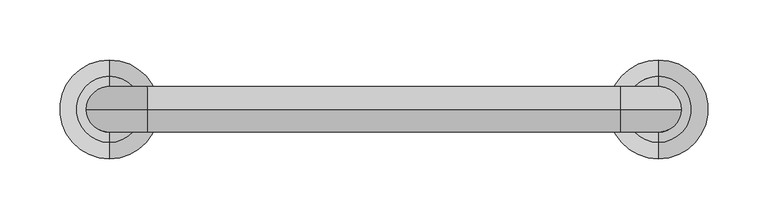
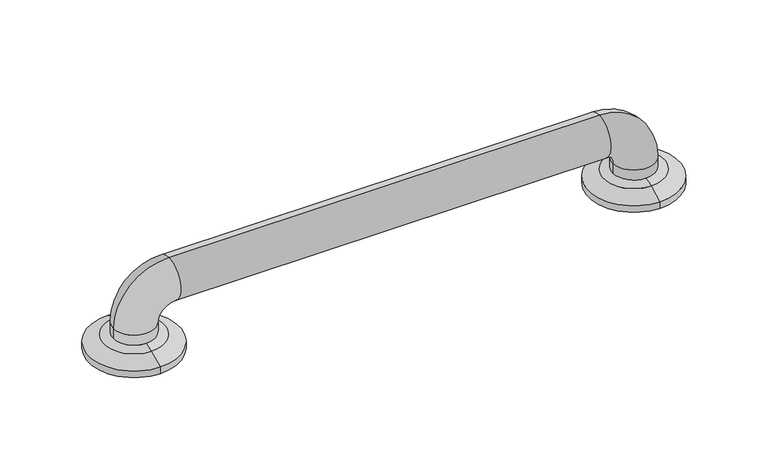
"""IFC4 building model written with IfcOpenShell, lengths in millimetres: proxy geometry."""

from ifc_helpers import new_model, si_unit, point, frame, origin, place, context, project, spatial, polyline, circle_curve, ellipse_curve, trimmed, source, transform, mapped, element, save
from ifc_brep_helpers import plane_surface, cylinder_surface, revolved_surface, advanced_brep


def specialty_equipment_bdd373ed(model_context):
    return source(origin(), model_context, "Body", "AdvancedBrep", [
        advanced_brep(
        [(-173.0375, -564.1630987, 13.1934507), (-173.0375, -508.9869013, 13.1934507), (-173.0375, -495.3, 6.35), (-173.0375, -577.85, 6.35), (-173.0375, -555.625, 15.7178454), (-192.0875, -536.575, 15.7178454), (-173.0375, -517.525, 15.7178454), (-153.9875, -536.575, 15.7178454), (-173.0375, -577.85, 0.0), (-173.0375, -495.3, 0.0), (-173.0375, -517.525, 0.0), (-173.0375, -536.575, 0.0), (-173.0375, -555.625, 0.0), (-192.0875, -536.575, 25.4), (-153.9875, -536.575, 25.4), (-141.2875, -536.575, 76.2), (-141.2875, -536.575, 38.1), (252.4125, -536.575, 76.2), (252.4125, -536.575, 38.1), (303.2125, -536.575, 25.4), (265.1125, -536.575, 25.4), (284.1625, -577.85, 0.0), (284.1625, -495.3, 0.0), (303.2125, -536.575, 15.7178454), (284.1625, -517.525, 15.7178454), (265.1125, -536.575, 15.7178454), (284.1625, -555.625, 15.7178454), (284.1625, -564.1630987, 13.1934507), (284.1625, -508.9869013, 13.1934507), (284.1625, -495.3, 6.35), (284.1625, -577.85, 6.35)],
        [
            (0, 1, circle_curve(frame((-173.0375, -536.575, 13.1934507), z_axis=(0.0, 0.0, -1.0), x_axis=(0.0, 1.0, 0.0)), 27.5880987)),
            (1, 2),
            (2, 3, circle_curve(frame((-173.0375, -536.575, 6.35), z_axis=(0.0, 0.0, 1.0), x_axis=(0.0, 1.0, 0.0)), 41.275)),
            (3, 0),
            (1, 0, circle_curve(frame((-173.0375, -536.575, 13.1934507), z_axis=(0.0, 0.0, -1.0), x_axis=(0.0, 1.0, 0.0)), 27.5880987)),
            (3, 2, circle_curve(frame((-173.0375, -536.575, 6.35), z_axis=(0.0, 0.0, 1.0), x_axis=(0.0, 1.0, 0.0)), 41.275)),
            (0, 4, circle_curve(frame((-173.0375, -552.8038734, -9.525), z_axis=(-1.0, 0.0, 0.0), x_axis=(0.0, 0.0, -1.0)), 25.4)),
            (4, 5, circle_curve(frame((-173.0375, -536.575, 15.7178454), z_axis=(0.0, 0.0, -1.0), x_axis=(0.0, 1.0, 0.0)), 19.05)),
            (5, 6, circle_curve(frame((-173.0375, -536.575, 15.7178454), z_axis=(0.0, 0.0, -1.0), x_axis=(0.0, 1.0, 0.0)), 19.05)),
            (6, 1, circle_curve(frame((-173.0375, -520.3461266, -9.525), z_axis=(-1.0, 0.0, 0.0), x_axis=(0.0, 0.0, -1.0)), 25.4)),
            (6, 7, circle_curve(frame((-173.0375, -536.575, 15.7178454), z_axis=(0.0, 0.0, -1.0), x_axis=(0.0, 1.0, 0.0)), 19.05)),
            (7, 4, circle_curve(frame((-173.0375, -536.575, 15.7178454), z_axis=(0.0, 0.0, -1.0), x_axis=(0.0, 1.0, 0.0)), 19.05)),
            (8, 9, circle_curve(frame((-173.0375, -536.575, 0.0), z_axis=(0.0, 0.0, -1.0), x_axis=(0.0, 1.0, 0.0)), 41.275)),
            (9, 10),
            (10, 11),
            (11, 12),
            (12, 8),
            (9, 8, circle_curve(frame((-173.0375, -536.575, 0.0), z_axis=(0.0, 0.0, -1.0), x_axis=(0.0, 1.0, 0.0)), 41.275)),
            (2, 9),
            (8, 3),
            (13, 14, circle_curve(frame((-173.0375, -536.575, 25.4), z_axis=(0.0, 0.0, -1.0), x_axis=(1.0, 0.0, 0.0)), 19.05)),
            (14, 7),
            (5, 13),
            (14, 13, circle_curve(frame((-173.0375, -536.575, 25.4), z_axis=(0.0, 0.0, -1.0), x_axis=(1.0, 0.0, 0.0)), 19.05)),
            (13, 15, circle_curve(frame((-141.2875, -536.575, 25.4), z_axis=(0.0, 1.0, 0.0), x_axis=(-1.0, 0.0, 0.0)), 50.8)),
            (15, 16, circle_curve(frame((-141.2875, -536.575, 57.15), z_axis=(-1.0, 0.0, 0.0), x_axis=(0.0, 0.0, -1.0)), 19.05)),
            (16, 14, circle_curve(frame((-141.2875, -536.575, 25.4), z_axis=(0.0, -1.0, 0.0), x_axis=(-1.0, 0.0, 0.0)), 12.7)),
            (16, 15, circle_curve(frame((-141.2875, -536.575, 57.15), z_axis=(-1.0, 0.0, 0.0), x_axis=(0.0, 0.0, -1.0)), 19.05)),
            (15, 17),
            (17, 18, circle_curve(frame((252.4125, -536.575, 57.15), z_axis=(-1.0, 0.0, 0.0), x_axis=(0.0, 0.0, -1.0)), 19.05)),
            (18, 16),
            (18, 17, circle_curve(frame((252.4125, -536.575, 57.15), z_axis=(-1.0, 0.0, 0.0), x_axis=(0.0, 0.0, -1.0)), 19.05)),
            (17, 19, circle_curve(frame((252.4125, -536.575, 25.4), z_axis=(0.0, 1.0, 0.0), x_axis=(0.0, 0.0, 1.0)), 50.8)),
            (19, 20, circle_curve(frame((284.1625, -536.575, 25.4), z_axis=(0.0, 0.0, 1.0), x_axis=(-1.0, 0.0, 0.0)), 19.05)),
            (20, 18, circle_curve(frame((252.4125, -536.575, 25.4), z_axis=(0.0, -1.0, 0.0), x_axis=(0.0, 0.0, 1.0)), 12.7)),
            (20, 19, circle_curve(frame((284.1625, -536.575, 25.4), z_axis=(0.0, 0.0, 1.0), x_axis=(-1.0, 0.0, 0.0)), 19.05)),
            (21, 22, circle_curve(frame((284.1625, -536.575, 0.0), z_axis=(0.0, 0.0, -1.0), x_axis=(0.0, 1.0, 0.0)), 41.275)),
            (22, 21, circle_curve(frame((284.1625, -536.575, 0.0), z_axis=(0.0, 0.0, -1.0), x_axis=(0.0, 1.0, 0.0)), 41.275)),
            (19, 23),
            (23, 24, circle_curve(frame((284.1625, -536.575, 15.7178454), z_axis=(0.0, 0.0, 1.0), x_axis=(-1.0, 0.0, 0.0)), 19.05)),
            (24, 25, circle_curve(frame((284.1625, -536.575, 15.7178454), z_axis=(0.0, 0.0, 1.0), x_axis=(-1.0, 0.0, 0.0)), 19.05)),
            (25, 20),
            (25, 26, circle_curve(frame((284.1625, -536.575, 15.7178454), z_axis=(0.0, 0.0, 1.0), x_axis=(-1.0, 0.0, 0.0)), 19.05)),
            (26, 23, circle_curve(frame((284.1625, -536.575, 15.7178454), z_axis=(0.0, 0.0, 1.0), x_axis=(-1.0, 0.0, 0.0)), 19.05)),
            (27, 28, circle_curve(frame((284.1625, -536.575, 13.1934507), z_axis=(0.0, 0.0, -1.0), x_axis=(0.0, 1.0, 0.0)), 27.5880987)),
            (28, 29),
            (29, 30, circle_curve(frame((284.1625, -536.575, 6.35), z_axis=(0.0, 0.0, 1.0), x_axis=(0.0, 1.0, 0.0)), 41.275)),
            (30, 27),
            (28, 27, circle_curve(frame((284.1625, -536.575, 13.1934507), z_axis=(0.0, 0.0, -1.0), x_axis=(0.0, 1.0, 0.0)), 27.5880987)),
            (30, 29, circle_curve(frame((284.1625, -536.575, 6.35), z_axis=(0.0, 0.0, 1.0), x_axis=(0.0, 1.0, 0.0)), 41.275)),
            (27, 26, circle_curve(frame((284.1625, -552.8038734, -9.525), z_axis=(-1.0, 0.0, 0.0), x_axis=(0.0, 0.0, -1.0)), 25.4)),
            (24, 28, circle_curve(frame((284.1625, -520.3461266, -9.525), z_axis=(-1.0, 0.0, 0.0), x_axis=(0.0, 0.0, -1.0)), 25.4)),
            (29, 22),
            (21, 30),
        ],
        [
            revolved_surface(polyline([(-173.0375, -495.3, 6.35), (-173.0375, -508.9869013, 13.1934507)]), (-173.0375, -536.575, 31.75), (0.0, 0.0, 1.0)),
            revolved_surface(trimmed(ellipse_curve(frame((-173.0375, -520.3461266, -9.525), z_axis=(1.0, 0.0, 0.0), x_axis=(0.0, 0.0, -1.0)), 25.4, 25.4), [point((-173.0375, -508.9869013, 13.1934507))], [point((-173.0375, -520.3461266, 15.875))], True, "CARTESIAN"), (-173.0375, -536.575, 31.75), (0.0, 0.0, 1.0)),
            plane_surface(frame((-173.0375, -536.575, 0.0), z_axis=(0.0, 0.0, -1.0), x_axis=(0.0, 1.0, 0.0))),
            cylinder_surface(frame((-173.0375, -536.575, 31.75), z_axis=(0.0, 0.0, 1.0), x_axis=(0.0, 1.0, 0.0)), 41.275),
            cylinder_surface(frame((-173.0375, -536.575, 0.0), z_axis=(0.0, 0.0, -1.0), x_axis=(1.0, 0.0, 0.0)), 19.05),
            revolved_surface(trimmed(ellipse_curve(frame((-173.0375, -536.575, 25.4), z_axis=(0.0, 0.0, -1.0), x_axis=(1.0, 0.0, 0.0)), 19.05, 19.05), [point((-192.0875, -536.575, 25.4))], [point((-153.9875, -536.575, 25.4))], True, "CARTESIAN"), (-141.2875, -536.575, 25.4), (0.0, 1.0, 0.0)),
            revolved_surface(trimmed(ellipse_curve(frame((-173.0375, -536.575, 25.4), z_axis=(0.0, 0.0, -1.0), x_axis=(1.0, 0.0, 0.0)), 19.05, 19.05), [point((-153.9875, -536.575, 25.4))], [point((-192.0875, -536.575, 25.4))], True, "CARTESIAN"), (-141.2875, -536.575, 25.4), (0.0, 1.0, 0.0)),
            cylinder_surface(frame((-141.2875, -536.575, 57.15), z_axis=(-1.0, 0.0, 0.0), x_axis=(0.0, 0.0, -1.0)), 19.05),
            revolved_surface(trimmed(ellipse_curve(frame((252.4125, -536.575, 57.15), z_axis=(-1.0, 0.0, 0.0), x_axis=(0.0, 0.0, -1.0)), 19.05, 19.05), [point((252.4125, -536.575, 76.2))], [point((252.4125, -536.575, 38.1))], True, "CARTESIAN"), (252.4125, -536.575, 25.4), (0.0, 1.0, 0.0)),
            revolved_surface(trimmed(ellipse_curve(frame((252.4125, -536.575, 57.15), z_axis=(-1.0, 0.0, 0.0), x_axis=(0.0, 0.0, -1.0)), 19.05, 19.05), [point((252.4125, -536.575, 38.1))], [point((252.4125, -536.575, 76.2))], True, "CARTESIAN"), (252.4125, -536.575, 25.4), (0.0, 1.0, 0.0)),
            plane_surface(frame((284.1625, -536.575, 0.0), z_axis=(0.0, 0.0, -1.0), x_axis=(0.0, 1.0, 0.0))),
            cylinder_surface(frame((284.1625, -536.575, 25.4), z_axis=(0.0, 0.0, 1.0), x_axis=(-1.0, 0.0, 0.0)), 19.05),
            revolved_surface(polyline([(284.1625, -495.3, 6.35), (284.1625, -508.9869013, 13.1934507)]), (284.1625, -536.575, -29.0642853), (0.0, 0.0, 1.0)),
            revolved_surface(trimmed(ellipse_curve(frame((284.1625, -520.3461266, -9.525), z_axis=(1.0, 0.0, 0.0), x_axis=(0.0, 0.0, -1.0)), 25.4, 25.4), [point((284.1625, -508.9869013, 13.1934507))], [point((284.1625, -520.3461266, 15.875))], True, "CARTESIAN"), (284.1625, -536.575, -29.0642853), (0.0, 0.0, 1.0)),
            cylinder_surface(frame((284.1625, -536.575, -29.0642853), z_axis=(0.0, 0.0, 1.0), x_axis=(0.0, 1.0, 0.0)), 41.275),
        ],
        [
            (0, [[1, 2, 3, 4]]),
            (0, [[-2, 5, -4, 6]]),
            (1, [[-1, 7, 8, 9, 10]]),
            (1, [[-5, -10, 11, 12, -7]]),
            (2, [[13, 14, 15, 16, 17]]),
            (2, [[18, -17, -16, -15, -14]]),
            (3, [[-3, 19, -13, 20]]),
            (3, [[-6, -20, -18, -19]]),
            (4, [[21, 22, -11, -9, 23]]),
            (4, [[24, -23, -8, -12, -22]]),
            (5, [[-21, 25, 26, 27]]),
            (6, [[-24, -27, 28, -25]]),
            (7, [[-26, 29, 30, 31]]),
            (7, [[-28, -31, 32, -29]]),
            (8, [[-30, 33, 34, 35]]),
            (9, [[-32, -35, 36, -33]]),
            (10, [[37, 38]]),
            (11, [[-34, 39, 40, 41, 42]]),
            (11, [[-36, -42, 43, 44, -39]]),
            (12, [[45, 46, 47, 48]]),
            (12, [[-46, 49, -48, 50]]),
            (13, [[-45, 51, -43, -41, 52]]),
            (13, [[-49, -52, -40, -44, -51]]),
            (14, [[-47, 53, -37, 54]]),
            (14, [[-50, -54, -38, -53]]),
        ],
    ),
    ])


if __name__ == "__main__":
    model = new_model("IFC4")
    model_context = context("Model", 3, world=origin())
    ifc_project = project(units=[si_unit("LENGTHUNIT", "METRE", prefix="MILLI")], contexts=[model_context])
    site = spatial("IfcSite", under=ifc_project)
    building = spatial("IfcBuilding", under=site)
    placement = place(None, origin())
    specialty_equipment_shape = specialty_equipment_bdd373ed(model_context)
    element("IfcBuildingElementProxy", 1, Name="Specialty Equipment", at=placement, inside=building, context=model_context, shape_type="MappedRepresentation", body=[
        mapped(specialty_equipment_shape, transform((0.0, 0.0, 0.0), x_axis=(1.0, 0.0, 0.0), y_axis=(0.0, 1.0, 0.0), z_axis=(0.0, 0.0, 1.0))),
    ])
    save(model, "model.ifc")
